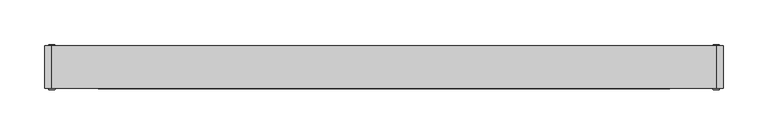
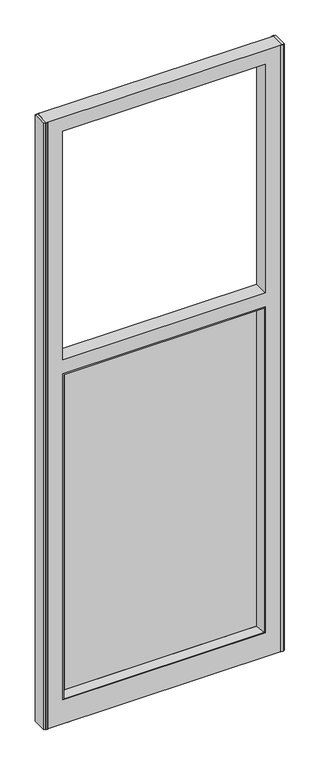
"""IFC4 building model written with IfcOpenShell, lengths in millimetres: furniture geometry."""

import ifcopenshell
import ifcopenshell.guid

model = None  # the IFC model being written
_history = None  # IfcOwnerHistory: only IFC2X3 demands one
_inside = {}  # id of a spatial element -> (the spatial element, [elements in it])
_under = {}  # id of a project, library or spatial element -> (it, [spatial elements below it])
_declared = {}  # id of a project -> (the project, [libraries it declares])
_typed = {}  # id of a type object -> (the type object, [elements of that type])
_made_of = {}  # id of a material, layer set ... -> (it, [elements and type objects made of it])


def new_model(schema):
    """Start an empty IFC model of exactly this schema.

    Asked for "IFC4X3", IfcOpenShell would pick the latest addendum, in which some entities
    have other attributes; the version numbers below select the first issue.
    IFC2X3 requires an IfcOwnerHistory on every rooted entity: one is made here for all.
    """
    global model, _history
    if schema == "IFC4X3":
        model = ifcopenshell.file(schema_version=(4, 3, 0, 0))
    else:
        model = ifcopenshell.file(schema=schema)
    _inside.clear()
    _under.clear()
    _declared.clear()
    _typed.clear()
    _made_of.clear()
    _history = None
    if model.schema == "IFC2X3":
        org = make("IfcOrganization", Name="unknown")
        user = make(
            "IfcPersonAndOrganization",
            ThePerson=make("IfcPerson", FamilyName="unknown"),
            TheOrganization=org,
        )
        app = make(
            "IfcApplication",
            ApplicationDeveloper=org,
            Version="unknown",
            ApplicationFullName="unknown",
            ApplicationIdentifier="unknown",
        )
        _history = make(
            "IfcOwnerHistory",
            OwningUser=user,
            OwningApplication=app,
            ChangeAction="ADDED",
            CreationDate=0,
        )
    return model


def make(cls, **values):
    """One entity of the class cls with the attributes given. An attribute that is None is left unset."""
    return model.create_entity(
        cls, **{name: value for name, value in values.items() if value is not None}
    )


def rooted(cls, **values):
    """An entity with a GlobalId (a new one), such as an element, a storey or a relation."""
    return make(cls, GlobalId=ifcopenshell.guid.new(), OwnerHistory=_history, **values)


def si_unit(unit_type, name, prefix=None):
    """IfcSIUnit, for example si_unit("LENGTHUNIT", "METRE", prefix="MILLI")."""
    return make("IfcSIUnit", UnitType=unit_type, Prefix=prefix, Name=name)


def assignment(units):
    """IfcUnitAssignment: the units of a project."""
    return None if units is None else make("IfcUnitAssignment", Units=units)


def point(xyz):
    """IfcCartesianPoint."""
    return None if xyz is None else make("IfcCartesianPoint", Coordinates=xyz)


def direction(xyz):
    """IfcDirection."""
    return None if xyz is None else make("IfcDirection", DirectionRatios=xyz)


def frame(location, z_axis=None, x_axis=None):
    """IfcAxis2Placement3D, a coordinate frame: its origin and axes. An axis left out is left unset."""
    return make(
        "IfcAxis2Placement3D",
        Location=point(location),
        Axis=direction(z_axis),
        RefDirection=direction(x_axis),
    )


def origin():
    """The frame at (0, 0, 0) with its axes left unset."""
    return frame((0.0, 0.0, 0.0))


def place(relative_to, where):
    """IfcLocalPlacement: puts the frame where relative to a parent placement (None: the world)."""
    return make(
        "IfcLocalPlacement", PlacementRelTo=relative_to, RelativePlacement=where
    )


def context(
    kind, dimensions, precision=None, world=None, true_north=None, identifier=None
):
    """IfcGeometricRepresentationContext, for example the 3D "Model" context."""
    return make(
        "IfcGeometricRepresentationContext",
        ContextIdentifier=identifier,
        ContextType=kind,
        CoordinateSpaceDimension=dimensions,
        Precision=precision,
        WorldCoordinateSystem=world,
        TrueNorth=true_north,
    )


def project(units=None, contexts=None):
    """IfcProject with its units and contexts."""
    return rooted(
        "IfcProject",
        Name="project",
        RepresentationContexts=contexts,
        UnitsInContext=assignment(units),
    )


def spatial(cls, under=None, at=None, **own):
    """A site, building, storey or space (cls), placed at a placement, below another one or the project."""
    s = rooted(cls, ObjectPlacement=at, **own)
    if under is not None:
        _under.setdefault(under.id(), (under, []))[1].append(s)
    return s


def polyline(points):
    """IfcPolyline through the points."""
    return make("IfcPolyline", Points=[point(p) for p in points])


def circle_curve(where, radius):
    """IfcCircle in the frame where."""
    return make("IfcCircle", Position=where, Radius=radius)


def outline(outer, holes=None, kind="AREA"):
    """IfcArbitraryClosedProfileDef: a profile drawn as a closed curve; with holes, ...WithVoids."""
    if holes is None:
        return make("IfcArbitraryClosedProfileDef", ProfileType=kind, OuterCurve=outer)
    return make(
        "IfcArbitraryProfileDefWithVoids",
        ProfileType=kind,
        OuterCurve=outer,
        InnerCurves=holes,
    )


def extrude(swept, where, along, depth):
    """IfcExtrudedAreaSolid: the profile swept, set in the frame where, extruded along a direction by depth."""
    return make(
        "IfcExtrudedAreaSolid",
        SweptArea=swept,
        Position=where,
        ExtrudedDirection=direction(along),
        Depth=depth,
    )


def faces_of(points, faces, orient=None, outer=None):
    """IfcFace entities. A face is a list of loops; a loop is a list of indices into points, from 0.

    orient and outer hold one flag for each loop. By default every Orientation is true, the
    first loop of a face is its IfcFaceOuterBound and the others are IfcFaceBound.
    """
    made = []
    for i, loops in enumerate(faces):
        bounds = []
        for j, loop in enumerate(loops):
            is_outer = j == 0 if outer is None else outer[i][j]
            bounds.append(
                make(
                    "IfcFaceOuterBound" if is_outer else "IfcFaceBound",
                    Bound=make("IfcPolyLoop", Polygon=[points[k] for k in loop]),
                    Orientation=True if orient is None else orient[i][j],
                )
            )
        made.append(make("IfcFace", Bounds=bounds))
    return made


def faceted_brep(points, faces, orient=None, outer=None, voids=None):
    """IfcFacetedBrep: a solid bounded by flat faces; with voids (closed shells), ...WithVoids."""
    shared = [point(p) for p in points]
    hull = make("IfcClosedShell", CfsFaces=faces_of(shared, faces, orient, outer))
    if voids is None:
        return make("IfcFacetedBrep", Outer=hull)
    return make(
        "IfcFacetedBrepWithVoids",
        Outer=hull,
        Voids=[
            make(cls, CfsFaces=faces_of(shared, fs, o, b)) for cls, fs, o, b in voids
        ],
    )


def shape(context_of_items, identifier, shape_type, items):
    """IfcShapeRepresentation: the items that make up one representation, for example the "Body"."""
    return make(
        "IfcShapeRepresentation",
        ContextOfItems=context_of_items,
        RepresentationIdentifier=identifier,
        RepresentationType=shape_type,
        Items=items,
    )


def source(mapping_origin, context_of_items, identifier, shape_type, items):
    """IfcRepresentationMap: a shape defined once, which mapped items show again and again."""
    return make(
        "IfcRepresentationMap",
        MappingOrigin=mapping_origin,
        MappedRepresentation=shape(context_of_items, identifier, shape_type, items),
    )


def transform(
    local_origin,
    x_axis=None,
    y_axis=None,
    z_axis=None,
    scale=None,
    scale2=None,
    scale3=None,
    uniform=True,
):
    """IfcCartesianTransformationOperator3D, or its non-uniform kind. x_axis, y_axis, z_axis: its Axis1, 2, 3."""
    if uniform:
        return make(
            "IfcCartesianTransformationOperator3D",
            Axis1=direction(x_axis),
            Axis2=direction(y_axis),
            LocalOrigin=point(local_origin),
            Scale=scale,
            Axis3=direction(z_axis),
        )
    return make(
        "IfcCartesianTransformationOperator3DnonUniform",
        Axis1=direction(x_axis),
        Axis2=direction(y_axis),
        LocalOrigin=point(local_origin),
        Scale=scale,
        Axis3=direction(z_axis),
        Scale2=scale2,
        Scale3=scale3,
    )


def mapped(mapping_source, mapping_target):
    """IfcMappedItem: shows the shape of a source again, moved by a transform."""
    return make(
        "IfcMappedItem", MappingSource=mapping_source, MappingTarget=mapping_target
    )


def made_of(thing, what):
    """Note that an element or type object is made of a material, layer set ...; save() writes the relation."""
    if what is not None:
        _made_of.setdefault(what.id(), (what, []))[1].append(thing)
    return thing


def element(
    cls,
    number,
    at=None,
    inside=None,
    cuts=None,
    type_object=None,
    material=None,
    context=None,
    identifier="Body",
    shape_type=None,
    held_by="IfcProductDefinitionShape",
    body=None,
    shapes=None,
    **own,
):
    """One element of the class cls, such as IfcWall. Its Tag is "e" and its number.

    at: its placement. inside: the storey or other place that contains it. cuts: it is an
    opening in that element (IfcRelVoidsElement). A single representation is given by context,
    identifier, shape_type and body (its items); several are given by shapes. held_by: the class
    of the entity that holds the representations. save() writes the other relations.
    """
    e = rooted(cls, Tag="e%d" % number, ObjectPlacement=at, **own)
    if body is not None:
        shapes = [shape(context, identifier, shape_type, body)]
    if shapes is not None:
        e.Representation = make(held_by, Representations=shapes)
    if inside is not None:
        _inside.setdefault(inside.id(), (inside, []))[1].append(e)
    if cuts is not None:
        rooted(
            "IfcRelVoidsElement", RelatingBuildingElement=cuts, RelatedOpeningElement=e
        )
    if type_object is not None:
        _typed.setdefault(type_object.id(), (type_object, []))[1].append(e)
    return made_of(e, material)


def aggregate(whole, parts):
    """IfcRelAggregates: a whole, such as a stair, and the parts it consists of."""
    return rooted("IfcRelAggregates", RelatingObject=whole, RelatedObjects=parts)


def save(model, path):
    """Write the relations noted so far, then the file.

    IfcRelAggregates (storeys below a building ...), IfcRelContainedInSpatialStructure (elements
    in a storey), IfcRelDefinesByType, IfcRelAssociatesMaterial and IfcRelDeclares: one each for
    every whole, place, type object, material and project.
    """
    for whole, parts in _under.values():
        aggregate(whole, parts)
    for where, things in _inside.values():
        rooted(
            "IfcRelContainedInSpatialStructure",
            RelatedElements=things,
            RelatingStructure=where,
        )
    for kind, things in _typed.values():
        rooted("IfcRelDefinesByType", RelatedObjects=things, RelatingType=kind)
    for what, things in _made_of.values():
        rooted("IfcRelAssociatesMaterial", RelatedObjects=things, RelatingMaterial=what)
    for by, libraries in _declared.values():
        rooted("IfcRelDeclares", RelatingContext=by, RelatedDefinitions=libraries)
    model.write(path)


def plane_surface(at):
    """IfcPlane: the flat surface through the origin of the frame at, square to its z axis."""
    return make("IfcPlane", Position=at)


def cylinder_surface(at, radius):
    """IfcCylindricalSurface: all points at the distance radius from the z axis of the frame at."""
    return make("IfcCylindricalSurface", Position=at, Radius=radius)


def advanced_brep(points, edges, surfaces, faces):
    """IfcAdvancedBrep: a solid bounded by faces that lie on surfaces and meet in shared edges.

    An edge is (start, end): straight between two places in points (the first is 0);
    or (start, end, curve); or (start, end, curve, False) where it runs against its curve.
    A face is (place in surfaces, loops), or (place, loops, False) where it looks against
    its surface's normal. A loop lists edges by number (the first is 1), with a minus sign
    where the edge is run from its end to its start. The first loop is the outer one.
    """
    corners = [point(p) for p in points]
    vertices = [make("IfcVertexPoint", VertexGeometry=c) for c in corners]
    made = []
    for start, end, *more in edges:
        made.append(
            make(
                "IfcEdgeCurve",
                EdgeStart=vertices[start],
                EdgeEnd=vertices[end],
                EdgeGeometry=more[0] if more else make("IfcPolyline", Points=[corners[start], corners[end]]),
                SameSense=more[1] if len(more) > 1 else True,
            )
        )
    hull = []
    for where, loops, *sense in faces:
        bounds = []
        for j, loop in enumerate(loops):
            ring = [make("IfcOrientedEdge", EdgeElement=made[abs(k) - 1], Orientation=k > 0) for k in loop]
            bounds.append(
                make(
                    "IfcFaceOuterBound" if j == 0 else "IfcFaceBound",
                    Bound=make("IfcEdgeLoop", EdgeList=ring),
                    Orientation=True,
                )
            )
        hull.append(make("IfcAdvancedFace", Bounds=bounds, FaceSurface=surfaces[where], SameSense=sense[0] if sense else True))
    return make("IfcAdvancedBrep", Outer=make("IfcClosedShell", CfsFaces=hull))


def furniture_7eaf22f3(model_context):
    return source(origin(), model_context, "Body", "SolidModel", [
        extrude(outline(polyline([(9.525, 385.7625121), (2041.525, 385.7625121), (2041.525, -360.3625002), (9.525, -360.3625002), (9.525, 385.7625121)]), holes=[polyline([(88.9000038, -307.9750121), (1181.1, -307.9750121), (1181.1, 333.3750121), (88.9000038, 333.3750121), (88.9000038, -307.9750121)]), polyline([(1993.9, -307.9750121), (1993.9, 333.3750121), (1228.725, 333.3750121), (1228.725, -307.9750121), (1993.9, -307.9750121)])]), frame((0.0, -6.3500016, 0.0), z_axis=(0.0, 1.0, 0.0), x_axis=(0.0, 0.0, 1.0)), (0.0, 0.0, 1.0), 47.625),
        extrude(outline(polyline([(317.1443894, 20.6374992), (317.1443894, 14.2874985), (-291.7443894, 14.2874985), (-291.7443894, 20.6374992), (317.1443894, 20.6374992)])), frame((0.0, 0.0, 105.1305992), z_axis=(0.0, 0.0, 1.0), x_axis=(1.0, 0.0, 0.0)), (0.0, 0.0, 1.0), 1059.7387781),
        faceted_brep([(333.3749849, -6.3500016, 88.9000038), (333.3749849, 41.2749984, 88.9000038), (333.3749849, 41.2749984, 1181.0999727), (333.3749849, -6.3500016, 1181.0999727), (317.1443894, 14.2874985, 105.1305992), (329.8189883, -6.3500016, 92.4560004), (329.8189883, -6.3500016, 1177.5439761), (317.1443894, 14.2874985, 1164.8693773), (317.1443894, 20.6374992, 105.1305992), (317.1443894, 20.6374992, 1164.8693773), (329.8189883, 41.2749984, 92.4560004), (329.8189883, 41.2749984, 1177.5439761), (-307.9749849, 41.2749984, 1181.0999727), (-307.9749849, -6.3500016, 1181.0999727), (-304.4189883, -6.3500016, 1177.5439761), (-291.7443894, 14.2874985, 1164.8693773), (-291.7443894, 20.6374992, 1164.8693773), (-304.4189883, 41.2749984, 1177.5439761), (-307.9749849, 41.2749984, 88.9000038), (-307.9749849, -6.3500016, 88.9000038), (-304.4189883, -6.3500016, 92.4560004), (-291.7443894, 14.2874985, 105.1305992), (-291.7443894, 20.6374992, 105.1305992), (-304.4189883, 41.2749984, 92.4560004)], [[[0, 1, 2, 3]], [[4, 5, 6, 7]], [[8, 4, 7, 9]], [[10, 8, 9, 11]], [[3, 2, 12, 13]], [[7, 6, 14, 15]], [[9, 7, 15, 16]], [[11, 9, 16, 17]], [[13, 12, 18, 19]], [[15, 14, 20, 21]], [[16, 15, 21, 22]], [[17, 16, 22, 23]], [[1, 18, 12, 2], [11, 17, 23, 10]], [[19, 18, 1, 0]], [[3, 13, 19, 0], [5, 20, 14, 6]], [[21, 20, 5, 4]], [[22, 21, 4, 8]], [[23, 22, 8, 10]]]),
        extrude(outline(polyline([(-368.3, -6.3500016), (-368.3, 41.2749984), (-360.3625002, 41.2749984), (-360.3625002, -6.3500016), (-368.3, -6.3500016)])), frame((0.0, 0.0, 9.525), z_axis=(0.0, 0.0, 1.0), x_axis=(1.0, 0.0, 0.0)), (0.0, 0.0, 1.0), 2032.0),
        extrude(outline(polyline([(393.7, -6.3500016), (385.7625002, -6.3500016), (385.7625002, 41.2749984), (393.7, 41.2749984), (393.7, -6.3500016)])), frame((0.0, 0.0, 9.525), z_axis=(0.0, 0.0, 1.0), x_axis=(1.0, 0.0, 0.0)), (0.0, 0.0, 1.0), 2032.0),
        extrude(outline(polyline([(388.9375, 41.2749984), (380.9999996, 41.2749984), (382.1226805, 42.8624985), (388.9375, 42.8624985), (388.9375, 41.2749984)])), frame((0.0, 0.0, 9.525), z_axis=(0.0, 0.0, 1.0), x_axis=(1.0, 0.0, 0.0)), (0.0, 0.0, 1.0), 2032.0),
        extrude(outline(polyline([(388.9375, -7.937503), (382.1226805, -7.937503), (380.9999996, -6.3500016), (388.9375, -6.3500016), (388.9375, -7.937503)])), frame((0.0, 0.0, 9.525), z_axis=(0.0, 0.0, 1.0), x_axis=(1.0, 0.0, 0.0)), (0.0, 0.0, 1.0), 2032.0),
        extrude(outline(polyline([(-363.5375, -7.937503), (-363.5375, -6.3500016), (-355.5999996, -6.3500016), (-356.7226805, -7.937503), (-363.5375, -7.937503)])), frame((0.0, 0.0, 9.525), z_axis=(0.0, 0.0, 1.0), x_axis=(1.0, 0.0, 0.0)), (0.0, 0.0, 1.0), 2032.0),
        extrude(outline(polyline([(-356.7226805, 42.8624985), (-355.5999996, 41.2749984), (-363.5375, 41.2749984), (-363.5375, 42.8624985), (-356.7226805, 42.8624985)])), frame((0.0, 0.0, 9.525), z_axis=(0.0, 0.0, 1.0), x_axis=(1.0, 0.0, 0.0)), (0.0, 0.0, 1.0), 2032.0),
        advanced_brep(
        [(-282.6317916, 17.4624984, 0.0), (-269.9317916, 17.4624984, 0.0), (-295.3317916, 17.4624984, 0.0), (-288.9817916, 17.4624984, 9.525), (-276.2817916, 17.4624984, 9.525), (-282.6317916, 17.4624984, 9.525), (-288.9817916, 17.4624984, 4.7625), (-276.2817916, 17.4624984, 4.7625), (-295.3317916, 17.4624984, 4.7625), (-269.9317916, 17.4624984, 4.7625)],
        [
            (0, 1),
            (1, 2, circle_curve(frame((-282.6317916, 17.4624984, 0.0), z_axis=(0.0, 0.0, -1.0), x_axis=(1.0, 0.0, 0.0)), 12.7)),
            (2, 0),
            (2, 1, circle_curve(frame((-282.6317916, 17.4624984, 0.0), z_axis=(0.0, 0.0, -1.0), x_axis=(1.0, 0.0, 0.0)), 12.7)),
            (3, 4, circle_curve(frame((-282.6317916, 17.4624984, 9.525), z_axis=(0.0, 0.0, 1.0), x_axis=(1.0, 0.0, 0.0)), 6.35)),
            (4, 5),
            (5, 3),
            (4, 3, circle_curve(frame((-282.6317916, 17.4624984, 9.525), z_axis=(0.0, 0.0, 1.0), x_axis=(1.0, 0.0, 0.0)), 6.35)),
            (6, 7, circle_curve(frame((-282.6317916, 17.4624984, 4.7625), z_axis=(0.0, 0.0, 1.0), x_axis=(1.0, 0.0, 0.0)), 6.35)),
            (7, 4),
            (3, 6),
            (7, 6, circle_curve(frame((-282.6317916, 17.4624984, 4.7625), z_axis=(0.0, 0.0, 1.0), x_axis=(1.0, 0.0, 0.0)), 6.35)),
            (8, 9, circle_curve(frame((-282.6317916, 17.4624984, 4.7625), z_axis=(0.0, 0.0, 1.0), x_axis=(1.0, 0.0, 0.0)), 12.7)),
            (9, 7),
            (6, 8),
            (9, 8, circle_curve(frame((-282.6317916, 17.4624984, 4.7625), z_axis=(0.0, 0.0, 1.0), x_axis=(1.0, 0.0, 0.0)), 12.7)),
            (1, 9),
            (8, 2),
        ],
        [
            plane_surface(frame((-282.6317916, 17.4624984, 0.0), z_axis=(0.0, 0.0, -1.0), x_axis=(1.0, 0.0, 0.0))),
            plane_surface(frame((-282.6317916, 17.4624984, 9.525), z_axis=(0.0, 0.0, 1.0), x_axis=(1.0, 0.0, 0.0))),
            cylinder_surface(frame((-282.6317916, 17.4624984, 39.2700562), z_axis=(0.0, 0.0, -1.0), x_axis=(1.0, 0.0, 0.0)), 6.35),
            plane_surface(frame((-282.6317916, 17.4624984, 4.7625), z_axis=(0.0, 0.0, 1.0), x_axis=(1.0, 0.0, 0.0))),
            cylinder_surface(frame((-282.6317916, 17.4624984, 39.2700562), z_axis=(0.0, 0.0, -1.0), x_axis=(1.0, 0.0, 0.0)), 12.7),
        ],
        [
            (0, [[1, 2, 3]]),
            (0, [[-3, 4, -1]]),
            (1, [[5, 6, 7]]),
            (1, [[8, -7, -6]]),
            (2, [[9, 10, -5, 11]]),
            (2, [[12, -11, -8, -10]]),
            (3, [[13, 14, -9, 15]]),
            (3, [[16, -15, -12, -14]]),
            (4, [[-2, 17, -13, 18]]),
            (4, [[-4, -18, -16, -17]]),
        ],
    ),
        advanced_brep(
        [(295.3317916, 17.4624984, 0.0), (320.7317916, 17.4624984, 0.0), (320.7317916, 17.4624984, 4.7625), (295.3317916, 17.4624984, 4.7625), (308.0317916, 17.4624984, 0.0), (301.6817916, 17.4624984, 9.525), (314.3817916, 17.4624984, 9.525), (308.0317916, 17.4624984, 9.525), (301.6817916, 17.4624984, 4.7625), (314.3817916, 17.4624984, 4.7625)],
        [
            (0, 1, circle_curve(frame((308.0317916, 17.4624984, 0.0), z_axis=(0.0, 0.0, 1.0), x_axis=(1.0, 0.0, 0.0)), 12.7)),
            (1, 2),
            (2, 3, circle_curve(frame((308.0317916, 17.4624984, 4.7625), z_axis=(0.0, 0.0, -1.0), x_axis=(1.0, 0.0, 0.0)), 12.7)),
            (3, 0),
            (1, 0, circle_curve(frame((308.0317916, 17.4624984, 0.0), z_axis=(0.0, 0.0, 1.0), x_axis=(1.0, 0.0, 0.0)), 12.7)),
            (3, 2, circle_curve(frame((308.0317916, 17.4624984, 4.7625), z_axis=(0.0, 0.0, -1.0), x_axis=(1.0, 0.0, 0.0)), 12.7)),
            (4, 1),
            (0, 4),
            (5, 6, circle_curve(frame((308.0317916, 17.4624984, 9.525), z_axis=(0.0, 0.0, 1.0), x_axis=(1.0, 0.0, 0.0)), 6.35)),
            (6, 7),
            (7, 5),
            (6, 5, circle_curve(frame((308.0317916, 17.4624984, 9.525), z_axis=(0.0, 0.0, 1.0), x_axis=(1.0, 0.0, 0.0)), 6.35)),
            (8, 9, circle_curve(frame((308.0317916, 17.4624984, 4.7625), z_axis=(0.0, 0.0, 1.0), x_axis=(1.0, 0.0, 0.0)), 6.35)),
            (9, 6),
            (5, 8),
            (9, 8, circle_curve(frame((308.0317916, 17.4624984, 4.7625), z_axis=(0.0, 0.0, 1.0), x_axis=(1.0, 0.0, 0.0)), 6.35)),
            (2, 9),
            (8, 3),
        ],
        [
            cylinder_surface(frame((308.0317916, 17.4624984, 42.8555685), z_axis=(0.0, 0.0, -1.0), x_axis=(1.0, 0.0, 0.0)), 12.7),
            plane_surface(frame((308.0317916, 17.4624984, 0.0), z_axis=(0.0, 0.0, -1.0), x_axis=(1.0, 0.0, 0.0))),
            plane_surface(frame((308.0317916, 17.4624984, 9.525), z_axis=(0.0, 0.0, 1.0), x_axis=(1.0, 0.0, 0.0))),
            cylinder_surface(frame((308.0317916, 17.4624984, 42.8555685), z_axis=(0.0, 0.0, -1.0), x_axis=(1.0, 0.0, 0.0)), 6.35),
            plane_surface(frame((308.0317916, 17.4624984, 4.7625), z_axis=(0.0, 0.0, 1.0), x_axis=(1.0, 0.0, 0.0))),
        ],
        [
            (0, [[1, 2, 3, 4]]),
            (0, [[5, -4, 6, -2]]),
            (1, [[7, -1, 8]]),
            (1, [[-8, -5, -7]]),
            (2, [[9, 10, 11]]),
            (2, [[12, -11, -10]]),
            (3, [[13, 14, -9, 15]]),
            (3, [[16, -15, -12, -14]]),
            (4, [[-3, 17, -13, 18]]),
            (4, [[-6, -18, -16, -17]]),
        ],
    ),
    ])


if __name__ == "__main__":
    model = new_model("IFC4")
    model_context = context("Model", 3, world=origin())
    ifc_project = project(units=[si_unit("LENGTHUNIT", "METRE", prefix="MILLI")], contexts=[model_context])
    site = spatial("IfcSite", under=ifc_project)
    building = spatial("IfcBuilding", under=site)
    placement = place(None, origin())
    furniture_shape = furniture_7eaf22f3(model_context)
    element("IfcFurniture", 1, at=placement, inside=building, context=model_context, shape_type="MappedRepresentation", body=[
        mapped(furniture_shape, transform((0.0, 0.0, 0.0), x_axis=(1.0, 0.0, 0.0), y_axis=(0.0, 1.0, 0.0), z_axis=(0.0, 0.0, 1.0))),
    ])
    save(model, "model.ifc")
